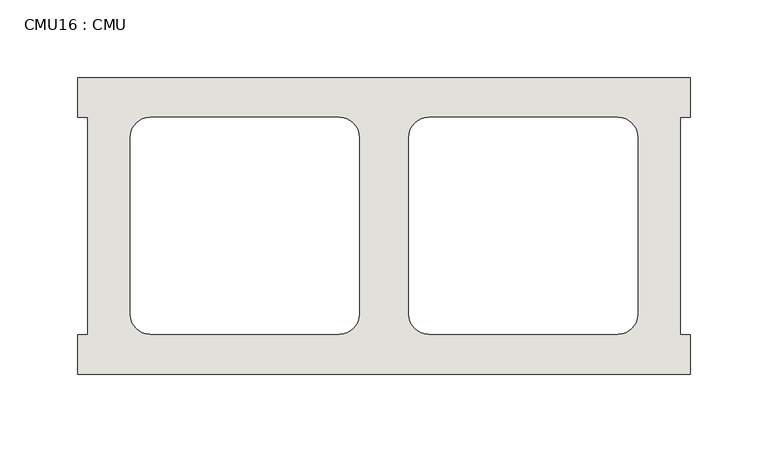
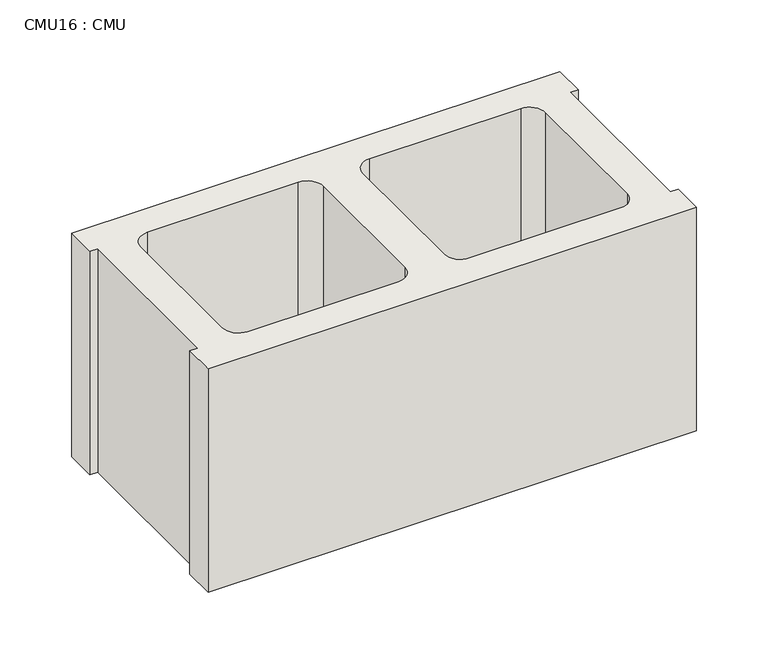
"""IFC4 building model written with IfcOpenShell, lengths in millimetres: wall geometry, CMU16 : CMU."""

from ifc_helpers import new_model, si_unit, point, frame_2d, origin, origin_with_axes, place, context, project, spatial, polyline, circle_curve, trimmed, segment, composite_curve, outline, extrude, source, transform, mapped, element, save


def cmu16_cmu_14307366(model_context):
    return source(origin(), model_context, "Body", "SweptSolid", [
        extrude(outline(polyline([(-2022.9785982, 3347.4652891), (-1629.2785982, 3347.4652891), (-1629.2785982, 3322.0652891), (-1635.6285982, 3322.0652891), (-1635.6285982, 3182.3652891), (-1629.2785982, 3182.3652891), (-1629.2785982, 3156.9652891), (-2022.9785982, 3156.9652891), (-2022.9785982, 3182.3652891), (-2016.6285982, 3182.3652891), (-2016.6285982, 3322.0652891), (-2022.9785982, 3322.0652891), (-2022.9785982, 3347.4652891)]), holes=[composite_curve([segment(polyline([(-1854.8105995, 3322.0652891), (-1976.5272496, 3322.0652891)]), True, "CONTINUOUS"), segment(trimmed(circle_curve(frame_2d((-1976.5272496, 3309.3652891)), 12.7), [point((-1976.5272496, 3322.0652891))], [point((-1989.2272496, 3309.3652891))], True, "CARTESIAN"), True, "CONTINUOUS"), segment(polyline([(-1989.2272496, 3309.3652891), (-1989.2272496, 3195.2994494)]), True, "CONTINUOUS"), segment(trimmed(circle_curve(frame_2d((-1976.5272496, 3195.2994494)), 12.7), [point((-1989.2272496, 3195.2994494))], [point((-1976.5272496, 3182.5994494))], True, "CARTESIAN"), True, "CONTINUOUS"), segment(polyline([(-1976.5272496, 3182.5994494), (-1854.8105995, 3182.5994494)]), True, "CONTINUOUS"), segment(trimmed(circle_curve(frame_2d((-1854.8105995, 3195.2994494)), 12.7), [point((-1854.8105995, 3182.5994494))], [point((-1842.1105995, 3195.2994494))], True, "CARTESIAN"), True, "CONTINUOUS"), segment(polyline([(-1842.1105995, 3195.2994494), (-1842.1105995, 3309.3652891)]), True, "CONTINUOUS"), segment(trimmed(circle_curve(frame_2d((-1854.8105995, 3309.3652891)), 12.7), [point((-1842.1105995, 3309.3652891))], [point((-1854.8105995, 3322.0652891))], True, "CARTESIAN"), True, "CONTINUOUS")], self_intersect=False), composite_curve([segment(trimmed(circle_curve(frame_2d((-1797.4465969, 3309.3652891)), 12.7), [point((-1797.4465969, 3322.0652891))], [point((-1810.1465969, 3309.3652891))], True, "CARTESIAN"), True, "CONTINUOUS"), segment(polyline([(-1810.1465969, 3309.3652891), (-1810.1465969, 3195.2994494)]), True, "CONTINUOUS"), segment(trimmed(circle_curve(frame_2d((-1797.4465969, 3195.2994494)), 12.7), [point((-1810.1465969, 3195.2994494))], [point((-1797.4465969, 3182.5994494))], True, "CARTESIAN"), True, "CONTINUOUS"), segment(polyline([(-1797.4465969, 3182.5994494), (-1675.7299468, 3182.5994494)]), True, "CONTINUOUS"), segment(trimmed(circle_curve(frame_2d((-1675.7299468, 3195.2994494)), 12.7), [point((-1675.7299468, 3182.5994494))], [point((-1663.0299468, 3195.2994494))], True, "CARTESIAN"), True, "CONTINUOUS"), segment(polyline([(-1663.0299468, 3195.2994494), (-1663.0299468, 3309.3652891)]), True, "CONTINUOUS"), segment(trimmed(circle_curve(frame_2d((-1675.7299468, 3309.3652891)), 12.7), [point((-1663.0299468, 3309.3652891))], [point((-1675.7299468, 3322.0652891))], True, "CARTESIAN"), True, "CONTINUOUS"), segment(polyline([(-1675.7299468, 3322.0652891), (-1797.4465969, 3322.0652891)]), True, "CONTINUOUS")], self_intersect=False)]), origin_with_axes(), (0.0, 0.0, 1.0), 190.5),
    ])


if __name__ == "__main__":
    model = new_model("IFC4")
    model_context = context("Model", 3, world=origin())
    ifc_project = project(units=[si_unit("LENGTHUNIT", "METRE", prefix="MILLI")], contexts=[model_context])
    site = spatial("IfcSite", under=ifc_project)
    building = spatial("IfcBuilding", under=site)
    placement = place(None, origin())
    cmu16_cmu_shape = cmu16_cmu_14307366(model_context)
    element("IfcWall", 1, ObjectType="CMU16 : CMU", at=placement, inside=building, context=model_context, shape_type="MappedRepresentation", body=[
        mapped(cmu16_cmu_shape, transform((0.0, 0.0, 0.0), x_axis=(1.0, 0.0, 0.0), y_axis=(0.0, 1.0, 0.0), z_axis=(0.0, 0.0, 1.0))),
    ])
    save(model, "model.ifc")
